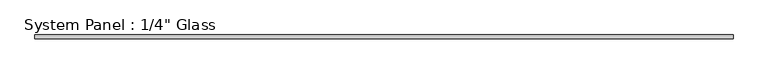
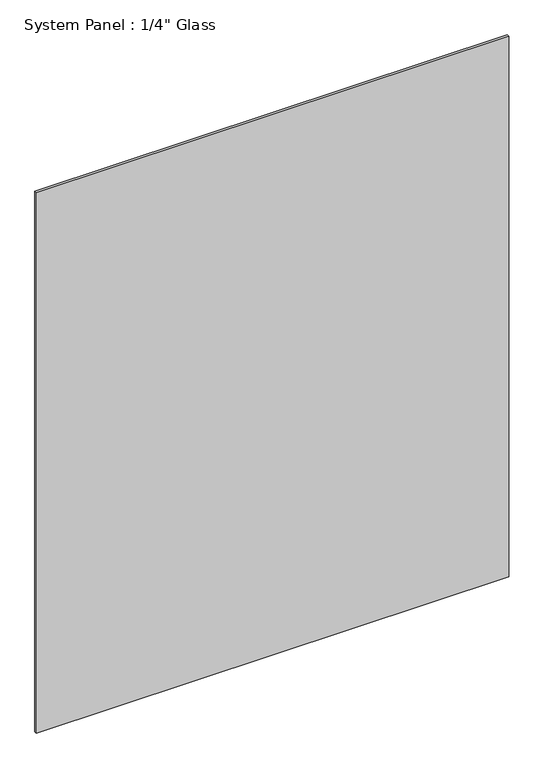
"""IFC4 building model written with IfcOpenShell, lengths in millimetres: plate geometry."""

from ifc_helpers import new_model, si_unit, origin, origin_with_axes, place, context, project, spatial, polyline, outline, extrude, source, transform, mapped, element, save


def plate_846f788e(model_context):
    return source(origin(), model_context, "Body", "SweptSolid", [
        extrude(outline(polyline([(609.6, -3.175), (-609.6, -3.175), (-609.6, 3.175), (609.6, 3.175), (609.6, -3.175)])), origin_with_axes(), (0.0, 0.0, 1.0), 1474.3594027),
    ])


if __name__ == "__main__":
    model = new_model("IFC4")
    model_context = context("Model", 3, world=origin())
    ifc_project = project(units=[si_unit("LENGTHUNIT", "METRE", prefix="MILLI")], contexts=[model_context])
    site = spatial("IfcSite", under=ifc_project)
    building = spatial("IfcBuilding", under=site)
    placement = place(None, origin())
    plate_shape = plate_846f788e(model_context)
    element("IfcPlate", 1, ObjectType="System Panel : 1/4\" Glass", at=placement, inside=building, context=model_context, shape_type="MappedRepresentation", body=[
        mapped(plate_shape, transform((0.0, 0.0, 0.0), x_axis=(1.0, 0.0, 0.0), y_axis=(0.0, 1.0, 0.0), z_axis=(0.0, 0.0, 1.0))),
    ])
    save(model, "model.ifc")
